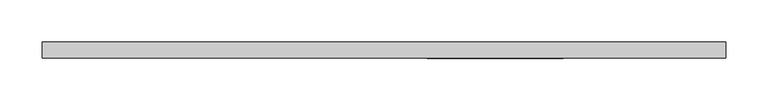
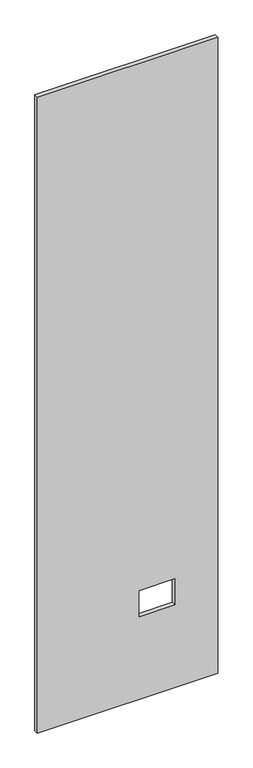
"""IFC4 building model written with IfcOpenShell, lengths in millimetres: proxy geometry."""

from ifc_helpers import new_model, si_unit, frame, origin, place, context, project, spatial, polyline, outline, extrude, source, transform, mapped, element, save


def specialty_equipment_8cf61542(model_context):
    return source(origin(), model_context, "Body", "SweptSolid", [
        extrude(outline(polyline([(3016.25, -404.5204), (3.175, -404.5204), (3.175, 404.5204), (3016.25, 404.5204), (3016.25, -404.5204)]), holes=[polyline([(395.4526, 211.8868), (395.4526, 51.3588), (518.9474, 51.3588), (518.9474, 211.8868), (395.4526, 211.8868)])]), frame((0.0, -9.525, 0.0), z_axis=(0.0, 1.0, 0.0), x_axis=(0.0, 0.0, 1.0)), (0.0, 0.0, 1.0), 19.05),
    ])


if __name__ == "__main__":
    model = new_model("IFC4")
    model_context = context("Model", 3, world=origin())
    ifc_project = project(units=[si_unit("LENGTHUNIT", "METRE", prefix="MILLI")], contexts=[model_context])
    site = spatial("IfcSite", under=ifc_project)
    building = spatial("IfcBuilding", under=site)
    placement = place(None, origin())
    specialty_equipment_shape = specialty_equipment_8cf61542(model_context)
    element("IfcBuildingElementProxy", 1, Name="Specialty Equipment", at=placement, inside=building, context=model_context, shape_type="MappedRepresentation", body=[
        mapped(specialty_equipment_shape, transform((0.0, 0.0, 0.0), x_axis=(1.0, 0.0, 0.0), y_axis=(0.0, 1.0, 0.0), z_axis=(0.0, 0.0, 1.0))),
    ])
    save(model, "model.ifc")
